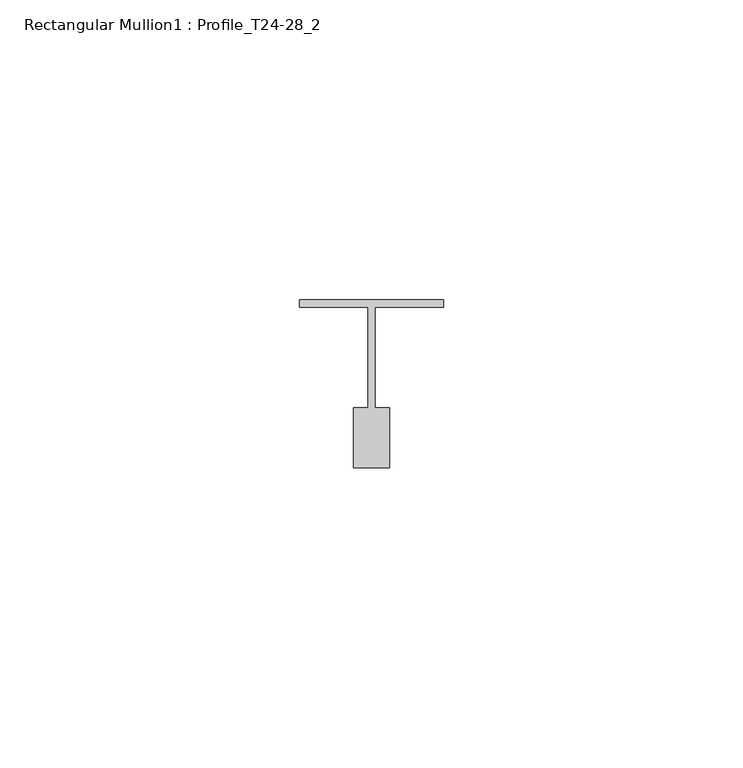
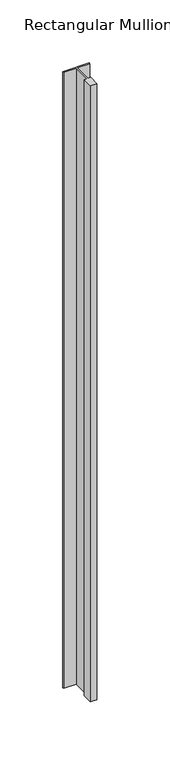
"""IFC4 building model written with IfcOpenShell, lengths in millimetres: member geometry, Rectangular Mullion1 : Profile_T24-28_2."""

from ifc_helpers import new_model, si_unit, frame, origin, place, context, project, spatial, polyline, outline, extrude, source, transform, mapped, element, save


def rectangular_mullion1_profile_t24_28_2_8d55a8a7(model_context):
    return source(origin(), model_context, "Body", "SweptSolid", [
        extrude(outline(polyline([(-12.0, 3.0), (12.0, 3.0), (12.0, 1.75), (0.6, 1.75), (0.6, -15.0), (3.0, -15.0), (3.0, -25.0), (-3.0, -25.0), (-3.0, -15.0), (-0.6, -15.0), (-0.6, 1.75), (-12.0, 1.75), (-12.0, 3.0)])), frame((0.0, 0.0, -598.0000003), z_axis=(0.0, 0.0, 1.0), x_axis=(1.0, 0.0, 0.0)), (0.0, 0.0, 1.0), 598.0000003),
    ])


if __name__ == "__main__":
    model = new_model("IFC4")
    model_context = context("Model", 3, world=origin())
    ifc_project = project(units=[si_unit("LENGTHUNIT", "METRE", prefix="MILLI")], contexts=[model_context])
    site = spatial("IfcSite", under=ifc_project)
    building = spatial("IfcBuilding", under=site)
    placement = place(None, origin())
    rectangular_mullion1_profile_t24_28_2_shape = rectangular_mullion1_profile_t24_28_2_8d55a8a7(model_context)
    element("IfcMember", 1, ObjectType="Rectangular Mullion1 : Profile_T24-28_2", at=placement, inside=building, context=model_context, shape_type="MappedRepresentation", body=[
        mapped(rectangular_mullion1_profile_t24_28_2_shape, transform((0.0, 0.0, 0.0), x_axis=(1.0, 0.0, 0.0), y_axis=(0.0, 1.0, 0.0), z_axis=(0.0, 0.0, 1.0))),
    ])
    save(model, "model.ifc")
